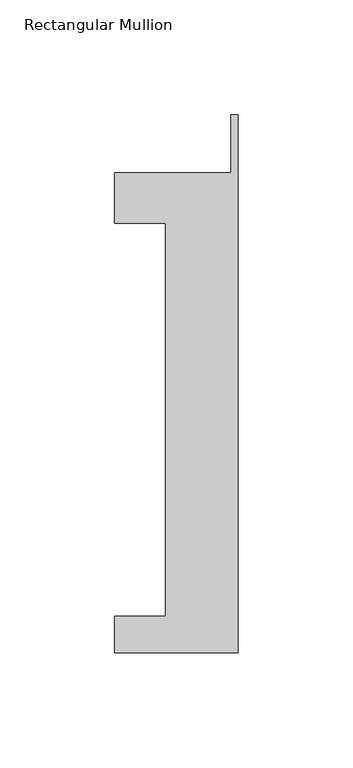
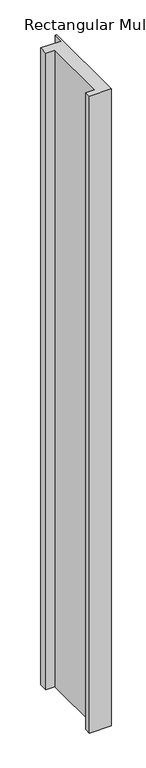
"""IFC4 building model written with IfcOpenShell, lengths in millimetres: member geometry, Rectangular Mullion."""

from ifc_helpers import new_model, si_unit, frame, origin, place, context, project, spatial, polyline, outline, extrude, source, transform, mapped, element, save


def rectangular_mullion_9fff474a(model_context):
    return source(origin(), model_context, "Body", "SweptSolid", [
        extrude(outline(polyline([(-53.975, -221.996), (-53.975, -206.121), (-31.75, -206.121), (-31.75, -34.671), (-53.975, -34.671), (-53.975, -12.7), (-3.175, -12.7), (-3.175, 12.7), (0.0, 12.7), (0.0, -221.996), (-53.975, -221.996)])), frame((0.0, 0.0, -1676.4), z_axis=(0.0, 0.0, 1.0), x_axis=(1.0, 0.0, 0.0)), (0.0, 0.0, 1.0), 1676.4),
    ])


if __name__ == "__main__":
    model = new_model("IFC4")
    model_context = context("Model", 3, world=origin())
    ifc_project = project(units=[si_unit("LENGTHUNIT", "METRE", prefix="MILLI")], contexts=[model_context])
    site = spatial("IfcSite", under=ifc_project)
    building = spatial("IfcBuilding", under=site)
    placement = place(None, origin())
    rectangular_mullion_shape = rectangular_mullion_9fff474a(model_context)
    element("IfcMember", 1, ObjectType="Rectangular Mullion", at=placement, inside=building, context=model_context, shape_type="MappedRepresentation", body=[
        mapped(rectangular_mullion_shape, transform((0.0, 0.0, 0.0), x_axis=(1.0, 0.0, 0.0), y_axis=(0.0, 1.0, 0.0), z_axis=(0.0, 0.0, 1.0))),
    ])
    save(model, "model.ifc")
